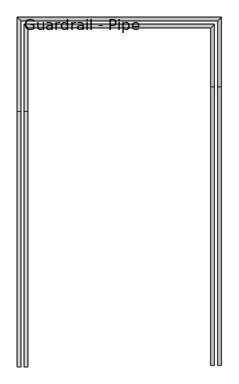
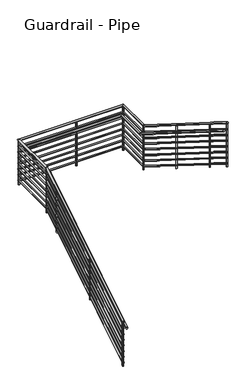
"""IFC4 building model written with IfcOpenShell, lengths in millimetres: railing geometry, Guardrail - Pipe."""

from ifc_helpers import new_model, si_unit, point, frame, frame_2d, origin, place, context, project, spatial, circle_curve, ellipse_curve, trimmed, segment, composite_curve, outline, extrude, source, transform, mapped, element, save
from ifc_brep_helpers import plane_surface, cylinder_surface, advanced_brep


def guardrail_pipe_b85f8df9(model_context):
    return source(origin(), model_context, "Body", "SolidModel", [
        advanced_brep(
        [(114044.01908, 35424.3893546, 1220.737105), (114005.91908, 35424.3893546, 1220.737105), (114044.01908, 38242.7781825, 2978.15), (114005.91908, 38242.7781825, 2978.15), (114044.01908, 39243.6754512, 2978.15), (114005.91908, 39281.7754512, 2978.15), (116220.5892193, 39243.6754512, 2978.15), (116258.6892193, 39281.7754512, 2978.15), (116220.5892193, 38511.8489944, 2978.15), (116258.6892193, 38511.8489944, 2978.15), (116220.5892193, 35437.3254512, 4905.117613), (116258.6892193, 35437.3254512, 4905.117613)],
        [
            (0, 1, ellipse_curve(frame((114024.96908, 35424.3893546, 1220.737105), z_axis=(0.0, -1.0, 0.0), x_axis=(0.0, 0.0, -1.0)), 22.4500633, 19.05)),
            (1, 0, ellipse_curve(frame((114024.96908, 35424.3893546, 1220.737105), z_axis=(0.0, -1.0, 0.0), x_axis=(0.0, 0.0, -1.0)), 22.4500633, 19.05)),
            (0, 2),
            (2, 3, ellipse_curve(frame((114024.96908, 38242.7781825, 2978.15), z_axis=(0.0, -0.9613922057008533, -0.2751818068434903), x_axis=(0.0, 0.27518180684348953, -0.9613922057008535)), 19.815014, 19.05)),
            (3, 1),
            (3, 2, ellipse_curve(frame((114024.96908, 38242.7781825, 2978.15), z_axis=(0.0, -0.9613922057008533, -0.2751818068434903), x_axis=(0.0, 0.27518180684348953, -0.9613922057008535)), 19.815014, 19.05)),
            (2, 4),
            (4, 5, ellipse_curve(frame((114024.96908, 39262.7254512, 2978.15), z_axis=(-0.7071067811865475, -0.7071067811865475, 0.0), x_axis=(0.7071067811865474, -0.7071067811865476, 0.0)), 26.9407684, 19.05)),
            (5, 3),
            (5, 4, ellipse_curve(frame((114024.96908, 39262.7254512, 2978.15), z_axis=(-0.7071067811865475, -0.7071067811865475, 0.0), x_axis=(0.7071067811865474, -0.7071067811865476, 0.0)), 26.9407684, 19.05)),
            (4, 6),
            (6, 7, ellipse_curve(frame((116239.6392193, 39262.7254512, 2978.15), z_axis=(-0.7071067811865475, 0.7071067811865475, 0.0), x_axis=(-0.7071067811865476, -0.7071067811865474, 0.0)), 26.9407684, 19.05)),
            (7, 5),
            (7, 6, ellipse_curve(frame((116239.6392193, 39262.7254512, 2978.15), z_axis=(-0.7071067811865475, 0.7071067811865475, 0.0), x_axis=(-0.7071067811865476, -0.7071067811865474, 0.0)), 26.9407684, 19.05)),
            (6, 8),
            (8, 9, ellipse_curve(frame((116239.6392193, 38511.8489944, 2978.15), z_axis=(0.0, 0.9610749074302956, -0.2762879336993365), x_axis=(0.0, 0.276287933699336, 0.9610749074302958)), 19.8215559, 19.05)),
            (9, 7),
            (9, 8, ellipse_curve(frame((116239.6392193, 38511.8489944, 2978.15), z_axis=(0.0, 0.9610749074302956, -0.2762879336993365), x_axis=(0.0, 0.276287933699336, 0.9610749074302958)), 19.8215559, 19.05)),
            (10, 11, ellipse_curve(frame((116239.6392193, 35437.3254512, 4905.117613), z_axis=(0.0, -1.0, 0.0), x_axis=(0.0, 0.0, -1.0)), 22.482387, 19.05)),
            (11, 10, ellipse_curve(frame((116239.6392193, 35437.3254512, 4905.117613), z_axis=(0.0, -1.0, 0.0), x_axis=(0.0, 0.0, -1.0)), 22.482387, 19.05)),
            (8, 10),
            (11, 9),
        ],
        [
            plane_surface(frame((114024.96908, 35424.3893546, 1243.1871683), z_axis=(0.0, -1.0, 0.0), x_axis=(0.0, 0.0, 1.0))),
            cylinder_surface(frame((114024.96908, 35434.4690009, 1227.0222918), z_axis=(0.0, -0.848549946364704, -0.5291152885000188), x_axis=(-1.0, 0.0, 0.0)), 19.05),
            cylinder_surface(frame((114024.96908, 38237.3254512, 2978.15), z_axis=(0.0, -1.0, 0.0), x_axis=(-1.0, 0.0, 0.0)), 19.05),
            cylinder_surface(frame((114024.96908, 39262.7254512, 2978.15), z_axis=(-1.0, 0.0, 0.0), x_axis=(0.0, 1.0, 0.0)), 19.05),
            cylinder_surface(frame((116239.6392193, 39262.7254512, 2978.15), z_axis=(0.0, 1.0, 0.0), x_axis=(1.0, 0.0, 0.0)), 19.05),
            plane_surface(frame((116239.6392193, 35437.3254512, 4927.6), z_axis=(0.0, -1.0, 0.0), x_axis=(0.0, 0.0, -1.0))),
            cylinder_surface(frame((116239.6392193, 38507.2086286, 2981.0583643), z_axis=(0.0, 0.8473299553843021, -0.531066800608395), x_axis=(1.0, 0.0, 0.0)), 19.05),
        ],
        [
            (0, [[1, 2]]),
            (1, [[-1, 3, 4, 5]]),
            (1, [[-2, -5, 6, -3]]),
            (2, [[-4, 7, 8, 9]]),
            (2, [[-6, -9, 10, -7]]),
            (3, [[-8, 11, 12, 13]]),
            (3, [[-10, -13, 14, -11]]),
            (4, [[-12, 15, 16, 17]]),
            (4, [[-14, -17, 18, -15]]),
            (5, [[19, 20]]),
            (6, [[-16, 21, -20, 22]]),
            (6, [[-18, -22, -19, -21]]),
        ],
    ),
        advanced_brep(
        [(114037.66908, 35424.3893546, 1075.8204595), (114012.26908, 35424.3893546, 1075.8204595), (114037.66908, 38240.9606054, 2832.1), (114012.26908, 38240.9606054, 2832.1), (114037.66908, 39250.0254512, 2832.1), (114012.26908, 39275.4254512, 2832.1), (116226.9392193, 39250.0254512, 2832.1), (116252.3392193, 39275.4254512, 2832.1), (116226.9392193, 38513.67448, 2832.1), (116252.3392193, 38513.67448, 2832.1), (116226.9392193, 35437.3254512, 4760.211742), (116252.3392193, 35437.3254512, 4760.211742)],
        [
            (0, 1, ellipse_curve(frame((114024.96908, 35424.3893546, 1075.8204595), z_axis=(0.0, -1.0, 0.0), x_axis=(0.0, 0.0, -1.0)), 14.9667089, 12.7)),
            (1, 0, ellipse_curve(frame((114024.96908, 35424.3893546, 1075.8204595), z_axis=(0.0, -1.0, 0.0), x_axis=(0.0, 0.0, -1.0)), 14.9667089, 12.7)),
            (0, 2),
            (2, 3, ellipse_curve(frame((114024.96908, 38240.9606054, 2832.1), z_axis=(0.0, -0.9613922057008533, -0.2751818068434903), x_axis=(0.0, 0.27518180684348953, -0.9613922057008535)), 13.2100093, 12.7)),
            (3, 1),
            (3, 2, ellipse_curve(frame((114024.96908, 38240.9606054, 2832.1), z_axis=(0.0, -0.9613922057008533, -0.2751818068434903), x_axis=(0.0, 0.27518180684348953, -0.9613922057008535)), 13.2100093, 12.7)),
            (2, 4),
            (4, 5, ellipse_curve(frame((114024.96908, 39262.7254512, 2832.1), z_axis=(-0.7071067811865475, -0.7071067811865475, 0.0), x_axis=(0.7071067811865474, -0.7071067811865476, 0.0)), 17.9605122, 12.7)),
            (5, 3),
            (5, 4, ellipse_curve(frame((114024.96908, 39262.7254512, 2832.1), z_axis=(-0.7071067811865475, -0.7071067811865475, 0.0), x_axis=(0.7071067811865474, -0.7071067811865476, 0.0)), 17.9605122, 12.7)),
            (4, 6),
            (6, 7, ellipse_curve(frame((116239.6392193, 39262.7254512, 2832.1), z_axis=(-0.7071067811865475, 0.7071067811865475, 0.0), x_axis=(-0.7071067811865476, -0.7071067811865474, 0.0)), 17.9605122, 12.7)),
            (7, 5),
            (7, 6, ellipse_curve(frame((116239.6392193, 39262.7254512, 2832.1), z_axis=(-0.7071067811865475, 0.7071067811865475, 0.0), x_axis=(-0.7071067811865476, -0.7071067811865474, 0.0)), 17.9605122, 12.7)),
            (6, 8),
            (8, 9, ellipse_curve(frame((116239.6392193, 38513.67448, 2832.1), z_axis=(0.0, 0.9610749074302956, -0.2762879336993365), x_axis=(0.0, 0.276287933699336, 0.9610749074302958)), 13.2143706, 12.7)),
            (9, 7),
            (9, 8, ellipse_curve(frame((116239.6392193, 38513.67448, 2832.1), z_axis=(0.0, 0.9610749074302956, -0.2762879336993365), x_axis=(0.0, 0.276287933699336, 0.9610749074302958)), 13.2143706, 12.7)),
            (10, 11, ellipse_curve(frame((116239.6392193, 35437.3254512, 4760.211742), z_axis=(0.0, -1.0, 0.0), x_axis=(0.0, 0.0, -1.0)), 14.988258, 12.7)),
            (11, 10, ellipse_curve(frame((116239.6392193, 35437.3254512, 4760.211742), z_axis=(0.0, -1.0, 0.0), x_axis=(0.0, 0.0, -1.0)), 14.988258, 12.7)),
            (8, 10),
            (11, 9),
        ],
        [
            plane_surface(frame((114024.96908, 35424.3893546, 1090.7871683), z_axis=(0.0, -1.0, 0.0), x_axis=(0.0, 0.0, 1.0))),
            cylinder_surface(frame((114024.96908, 35431.1091188, 1080.010584), z_axis=(0.0, -0.848549946364704, -0.5291152885000188), x_axis=(-1.0, 0.0, 0.0)), 12.7),
            cylinder_surface(frame((114024.96908, 38237.3254512, 2832.1), z_axis=(0.0, -1.0, 0.0), x_axis=(-1.0, 0.0, 0.0)), 12.7),
            cylinder_surface(frame((114024.96908, 39262.7254512, 2832.1), z_axis=(-1.0, 0.0, 0.0), x_axis=(0.0, 1.0, 0.0)), 12.7),
            cylinder_surface(frame((116239.6392193, 39262.7254512, 2832.1), z_axis=(0.0, 1.0, 0.0), x_axis=(1.0, 0.0, 0.0)), 12.7),
            plane_surface(frame((116239.6392193, 35437.3254512, 4775.2), z_axis=(0.0, -1.0, 0.0), x_axis=(0.0, 0.0, -1.0))),
            cylinder_surface(frame((116239.6392193, 38510.5809028, 2834.0389096), z_axis=(0.0, 0.847329955384302, -0.531066800608395), x_axis=(1.0, 0.0, 0.0)), 12.7),
        ],
        [
            (0, [[1, 2]]),
            (1, [[-1, 3, 4, 5]]),
            (1, [[-2, -5, 6, -3]]),
            (2, [[-4, 7, 8, 9]]),
            (2, [[-6, -9, 10, -7]]),
            (3, [[-8, 11, 12, 13]]),
            (3, [[-10, -13, 14, -11]]),
            (4, [[-12, 15, 16, 17]]),
            (4, [[-14, -17, 18, -15]]),
            (5, [[19, 20]]),
            (6, [[-16, 21, -20, 22]]),
            (6, [[-18, -22, -19, -21]]),
        ],
    ),
        advanced_brep(
        [(114120.21908, 35424.3893546, 1068.337105), (114082.11908, 35424.3893546, 1068.337105), (114120.21908, 38242.7781825, 2825.75), (114082.11908, 38242.7781825, 2825.75), (114120.21908, 39167.4754512, 2825.75), (114082.11908, 39205.5754512, 2825.75), (116144.3892193, 39167.4754512, 2825.75), (116182.4892193, 39205.5754512, 2825.75), (116144.3892193, 38511.8489944, 2825.75), (116182.4892193, 38511.8489944, 2825.75), (116144.3892193, 35437.3254512, 4752.717613), (116182.4892193, 35437.3254512, 4752.717613)],
        [
            (0, 1, ellipse_curve(frame((114101.16908, 35424.3893546, 1068.337105), z_axis=(0.0, -1.0, 0.0), x_axis=(0.0, 0.0, -1.0)), 22.4500633, 19.05)),
            (1, 0, ellipse_curve(frame((114101.16908, 35424.3893546, 1068.337105), z_axis=(0.0, -1.0, 0.0), x_axis=(0.0, 0.0, -1.0)), 22.4500633, 19.05)),
            (0, 2),
            (2, 3, ellipse_curve(frame((114101.16908, 38242.7781825, 2825.75), z_axis=(0.0, -0.9613922057008533, -0.2751818068434903), x_axis=(0.0, 0.27518180684348953, -0.9613922057008535)), 19.815014, 19.05)),
            (3, 1),
            (3, 2, ellipse_curve(frame((114101.16908, 38242.7781825, 2825.75), z_axis=(0.0, -0.9613922057008533, -0.2751818068434903), x_axis=(0.0, 0.27518180684348953, -0.9613922057008535)), 19.815014, 19.05)),
            (2, 4),
            (4, 5, ellipse_curve(frame((114101.16908, 39186.5254512, 2825.75), z_axis=(-0.7071067811865475, -0.7071067811865475, 0.0), x_axis=(0.7071067811865474, -0.7071067811865476, 0.0)), 26.9407684, 19.05)),
            (5, 3),
            (5, 4, ellipse_curve(frame((114101.16908, 39186.5254512, 2825.75), z_axis=(-0.7071067811865475, -0.7071067811865475, 0.0), x_axis=(0.7071067811865474, -0.7071067811865476, 0.0)), 26.9407684, 19.05)),
            (4, 6),
            (6, 7, ellipse_curve(frame((116163.4392193, 39186.5254512, 2825.75), z_axis=(-0.7071067811865475, 0.7071067811865475, 0.0), x_axis=(-0.7071067811865476, -0.7071067811865474, 0.0)), 26.9407684, 19.05)),
            (7, 5),
            (7, 6, ellipse_curve(frame((116163.4392193, 39186.5254512, 2825.75), z_axis=(-0.7071067811865475, 0.7071067811865475, 0.0), x_axis=(-0.7071067811865476, -0.7071067811865474, 0.0)), 26.9407684, 19.05)),
            (6, 8),
            (8, 9, ellipse_curve(frame((116163.4392193, 38511.8489944, 2825.75), z_axis=(0.0, 0.9610749074302956, -0.2762879336993365), x_axis=(0.0, 0.276287933699336, 0.9610749074302958)), 19.8215559, 19.05)),
            (9, 7),
            (9, 8, ellipse_curve(frame((116163.4392193, 38511.8489944, 2825.75), z_axis=(0.0, 0.9610749074302956, -0.2762879336993365), x_axis=(0.0, 0.276287933699336, 0.9610749074302958)), 19.8215559, 19.05)),
            (10, 11, ellipse_curve(frame((116163.4392193, 35437.3254512, 4752.717613), z_axis=(0.0, -1.0, 0.0), x_axis=(0.0, 0.0, -1.0)), 22.482387, 19.05)),
            (11, 10, ellipse_curve(frame((116163.4392193, 35437.3254512, 4752.717613), z_axis=(0.0, -1.0, 0.0), x_axis=(0.0, 0.0, -1.0)), 22.482387, 19.05)),
            (8, 10),
            (11, 9),
        ],
        [
            plane_surface(frame((114101.16908, 35424.3893546, 1090.7871683), z_axis=(0.0, -1.0, 0.0), x_axis=(0.0, 0.0, 1.0))),
            cylinder_surface(frame((114101.16908, 35434.4690009, 1074.6222918), z_axis=(0.0, -0.848549946364704, -0.5291152885000188), x_axis=(-1.0, 0.0, 0.0)), 19.05),
            cylinder_surface(frame((114101.16908, 38237.3254512, 2825.75), z_axis=(0.0, -1.0, 0.0), x_axis=(-1.0, 0.0, 0.0)), 19.05),
            cylinder_surface(frame((114101.16908, 39186.5254512, 2825.75), z_axis=(-1.0, 0.0, 0.0), x_axis=(0.0, 1.0, 0.0)), 19.05),
            cylinder_surface(frame((116163.4392193, 39186.5254512, 2825.75), z_axis=(0.0, 1.0, 0.0), x_axis=(1.0, 0.0, 0.0)), 19.05),
            plane_surface(frame((116163.4392193, 35437.3254512, 4775.2), z_axis=(0.0, -1.0, 0.0), x_axis=(0.0, 0.0, -1.0))),
            cylinder_surface(frame((116163.4392193, 38507.2086286, 2828.6583643), z_axis=(0.0, 0.847329955384302, -0.531066800608395), x_axis=(1.0, 0.0, 0.0)), 19.05),
        ],
        [
            (0, [[1, 2]]),
            (1, [[-1, 3, 4, 5]]),
            (1, [[-2, -5, 6, -3]]),
            (2, [[-4, 7, 8, 9]]),
            (2, [[-6, -9, 10, -7]]),
            (3, [[-8, 11, 12, 13]]),
            (3, [[-10, -13, 14, -11]]),
            (4, [[-12, 15, 16, 17]]),
            (4, [[-14, -17, 18, -15]]),
            (5, [[19, 20]]),
            (6, [[-16, 21, -20, 22]]),
            (6, [[-18, -22, -19, -21]]),
        ],
    ),
        advanced_brep(
        [(114037.66908, 35424.3893546, 948.8204595), (114012.26908, 35424.3893546, 948.8204595), (114037.66908, 38240.9606054, 2705.1), (114012.26908, 38240.9606054, 2705.1), (114037.66908, 39250.0254512, 2705.1), (114012.26908, 39275.4254512, 2705.1), (116226.9392193, 39250.0254512, 2705.1), (116252.3392193, 39275.4254512, 2705.1), (116226.9392193, 38513.67448, 2705.1), (116252.3392193, 38513.67448, 2705.1), (116226.9392193, 35437.3254512, 4633.211742), (116252.3392193, 35437.3254512, 4633.211742)],
        [
            (0, 1, ellipse_curve(frame((114024.96908, 35424.3893546, 948.8204595), z_axis=(0.0, -1.0, 0.0), x_axis=(0.0, 0.0, -1.0)), 14.9667089, 12.7)),
            (1, 0, ellipse_curve(frame((114024.96908, 35424.3893546, 948.8204595), z_axis=(0.0, -1.0, 0.0), x_axis=(0.0, 0.0, -1.0)), 14.9667089, 12.7)),
            (0, 2),
            (2, 3, ellipse_curve(frame((114024.96908, 38240.9606054, 2705.1), z_axis=(0.0, -0.9613922057008533, -0.2751818068434903), x_axis=(0.0, 0.27518180684348953, -0.9613922057008535)), 13.2100093, 12.7)),
            (3, 1),
            (3, 2, ellipse_curve(frame((114024.96908, 38240.9606054, 2705.1), z_axis=(0.0, -0.9613922057008533, -0.2751818068434903), x_axis=(0.0, 0.27518180684348953, -0.9613922057008535)), 13.2100093, 12.7)),
            (2, 4),
            (4, 5, ellipse_curve(frame((114024.96908, 39262.7254512, 2705.1), z_axis=(-0.7071067811865475, -0.7071067811865475, 0.0), x_axis=(0.7071067811865474, -0.7071067811865476, 0.0)), 17.9605122, 12.7)),
            (5, 3),
            (5, 4, ellipse_curve(frame((114024.96908, 39262.7254512, 2705.1), z_axis=(-0.7071067811865475, -0.7071067811865475, 0.0), x_axis=(0.7071067811865474, -0.7071067811865476, 0.0)), 17.9605122, 12.7)),
            (4, 6),
            (6, 7, ellipse_curve(frame((116239.6392193, 39262.7254512, 2705.1), z_axis=(-0.7071067811865475, 0.7071067811865475, 0.0), x_axis=(-0.7071067811865476, -0.7071067811865474, 0.0)), 17.9605122, 12.7)),
            (7, 5),
            (7, 6, ellipse_curve(frame((116239.6392193, 39262.7254512, 2705.1), z_axis=(-0.7071067811865475, 0.7071067811865475, 0.0), x_axis=(-0.7071067811865476, -0.7071067811865474, 0.0)), 17.9605122, 12.7)),
            (6, 8),
            (8, 9, ellipse_curve(frame((116239.6392193, 38513.67448, 2705.1), z_axis=(0.0, 0.9610749074302954, -0.2762879336993367), x_axis=(0.0, 0.2762879336993366, 0.9610749074302953)), 13.2143706, 12.7)),
            (9, 7),
            (9, 8, ellipse_curve(frame((116239.6392193, 38513.67448, 2705.1), z_axis=(0.0, 0.9610749074302954, -0.2762879336993367), x_axis=(0.0, 0.2762879336993366, 0.9610749074302953)), 13.2143706, 12.7)),
            (10, 11, ellipse_curve(frame((116239.6392193, 35437.3254512, 4633.211742), z_axis=(0.0, -1.0, 0.0), x_axis=(0.0, 0.0, -1.0)), 14.988258, 12.7)),
            (11, 10, ellipse_curve(frame((116239.6392193, 35437.3254512, 4633.211742), z_axis=(0.0, -1.0, 0.0), x_axis=(0.0, 0.0, -1.0)), 14.988258, 12.7)),
            (8, 10),
            (11, 9),
        ],
        [
            plane_surface(frame((114024.96908, 35424.3893546, 963.7871683), z_axis=(0.0, -1.0, 0.0), x_axis=(0.0, 0.0, 1.0))),
            cylinder_surface(frame((114024.96908, 35431.1091188, 953.010584), z_axis=(0.0, -0.848549946364704, -0.5291152885000188), x_axis=(-1.0, 0.0, 0.0)), 12.7),
            cylinder_surface(frame((114024.96908, 38237.3254512, 2705.1), z_axis=(0.0, -1.0, 0.0), x_axis=(-1.0, 0.0, 0.0)), 12.7),
            cylinder_surface(frame((114024.96908, 39262.7254512, 2705.1), z_axis=(-1.0, 0.0, 0.0), x_axis=(0.0, 1.0, 0.0)), 12.7),
            cylinder_surface(frame((116239.6392193, 39262.7254512, 2705.1), z_axis=(0.0, 1.0, 0.0), x_axis=(1.0, 0.0, 0.0)), 12.7),
            plane_surface(frame((116239.6392193, 35437.3254512, 4648.2), z_axis=(0.0, -1.0, 0.0), x_axis=(0.0, 0.0, -1.0))),
            cylinder_surface(frame((116239.6392193, 38510.5809028, 2707.0389096), z_axis=(0.0, 0.8473299553843019, -0.5310668006083952), x_axis=(1.0, 0.0, 0.0)), 12.7),
        ],
        [
            (0, [[1, 2]]),
            (1, [[-1, 3, 4, 5]]),
            (1, [[-2, -5, 6, -3]]),
            (2, [[-4, 7, 8, 9]]),
            (2, [[-6, -9, 10, -7]]),
            (3, [[-8, 11, 12, 13]]),
            (3, [[-10, -13, 14, -11]]),
            (4, [[-12, 15, 16, 17]]),
            (4, [[-14, -17, 18, -15]]),
            (5, [[19, 20]]),
            (6, [[-16, 21, -20, 22]]),
            (6, [[-18, -22, -19, -21]]),
        ],
    ),
        advanced_brep(
        [(114037.66908, 35424.3893546, 821.8204595), (114012.26908, 35424.3893546, 821.8204595), (114037.66908, 38240.9606054, 2578.1), (114012.26908, 38240.9606054, 2578.1), (114037.66908, 39250.0254512, 2578.1), (114012.26908, 39275.4254512, 2578.1), (116226.9392193, 39250.0254512, 2578.1), (116252.3392193, 39275.4254512, 2578.1), (116226.9392193, 38513.67448, 2578.1), (116252.3392193, 38513.67448, 2578.1), (116226.9392193, 35437.3254512, 4506.211742), (116252.3392193, 35437.3254512, 4506.211742)],
        [
            (0, 1, ellipse_curve(frame((114024.96908, 35424.3893546, 821.8204595), z_axis=(0.0, -1.0, 0.0), x_axis=(0.0, 0.0, -1.0)), 14.9667089, 12.7)),
            (1, 0, ellipse_curve(frame((114024.96908, 35424.3893546, 821.8204595), z_axis=(0.0, -1.0, 0.0), x_axis=(0.0, 0.0, -1.0)), 14.9667089, 12.7)),
            (0, 2),
            (2, 3, ellipse_curve(frame((114024.96908, 38240.9606054, 2578.1), z_axis=(0.0, -0.9613922057008533, -0.2751818068434903), x_axis=(0.0, 0.27518180684348953, -0.9613922057008535)), 13.2100093, 12.7)),
            (3, 1),
            (3, 2, ellipse_curve(frame((114024.96908, 38240.9606054, 2578.1), z_axis=(0.0, -0.9613922057008533, -0.2751818068434903), x_axis=(0.0, 0.27518180684348953, -0.9613922057008535)), 13.2100093, 12.7)),
            (2, 4),
            (4, 5, ellipse_curve(frame((114024.96908, 39262.7254512, 2578.1), z_axis=(-0.7071067811865475, -0.7071067811865475, 0.0), x_axis=(0.7071067811865474, -0.7071067811865476, 0.0)), 17.9605122, 12.7)),
            (5, 3),
            (5, 4, ellipse_curve(frame((114024.96908, 39262.7254512, 2578.1), z_axis=(-0.7071067811865475, -0.7071067811865475, 0.0), x_axis=(0.7071067811865474, -0.7071067811865476, 0.0)), 17.9605122, 12.7)),
            (4, 6),
            (6, 7, ellipse_curve(frame((116239.6392193, 39262.7254512, 2578.1), z_axis=(-0.7071067811865475, 0.7071067811865475, 0.0), x_axis=(-0.7071067811865476, -0.7071067811865474, 0.0)), 17.9605122, 12.7)),
            (7, 5),
            (7, 6, ellipse_curve(frame((116239.6392193, 39262.7254512, 2578.1), z_axis=(-0.7071067811865475, 0.7071067811865475, 0.0), x_axis=(-0.7071067811865476, -0.7071067811865474, 0.0)), 17.9605122, 12.7)),
            (6, 8),
            (8, 9, ellipse_curve(frame((116239.6392193, 38513.67448, 2578.1), z_axis=(0.0, 0.9610749074302956, -0.2762879336993365), x_axis=(0.0, 0.276287933699336, 0.9610749074302958)), 13.2143706, 12.7)),
            (9, 7),
            (9, 8, ellipse_curve(frame((116239.6392193, 38513.67448, 2578.1), z_axis=(0.0, 0.9610749074302956, -0.2762879336993365), x_axis=(0.0, 0.276287933699336, 0.9610749074302958)), 13.2143706, 12.7)),
            (10, 11, ellipse_curve(frame((116239.6392193, 35437.3254512, 4506.211742), z_axis=(0.0, -1.0, 0.0), x_axis=(0.0, 0.0, -1.0)), 14.988258, 12.7)),
            (11, 10, ellipse_curve(frame((116239.6392193, 35437.3254512, 4506.211742), z_axis=(0.0, -1.0, 0.0), x_axis=(0.0, 0.0, -1.0)), 14.988258, 12.7)),
            (8, 10),
            (11, 9),
        ],
        [
            plane_surface(frame((114024.96908, 35424.3893546, 836.7871683), z_axis=(0.0, -1.0, 0.0), x_axis=(0.0, 0.0, 1.0))),
            cylinder_surface(frame((114024.96908, 35431.1091188, 826.010584), z_axis=(0.0, -0.848549946364704, -0.5291152885000188), x_axis=(-1.0, 0.0, 0.0)), 12.7),
            cylinder_surface(frame((114024.96908, 38237.3254512, 2578.1), z_axis=(0.0, -1.0, 0.0), x_axis=(-1.0, 0.0, 0.0)), 12.7),
            cylinder_surface(frame((114024.96908, 39262.7254512, 2578.1), z_axis=(-1.0, 0.0, 0.0), x_axis=(0.0, 1.0, 0.0)), 12.7),
            cylinder_surface(frame((116239.6392193, 39262.7254512, 2578.1), z_axis=(0.0, 1.0, 0.0), x_axis=(1.0, 0.0, 0.0)), 12.7),
            plane_surface(frame((116239.6392193, 35437.3254512, 4521.2), z_axis=(0.0, -1.0, 0.0), x_axis=(0.0, 0.0, -1.0))),
            cylinder_surface(frame((116239.6392193, 38510.5809028, 2580.0389096), z_axis=(0.0, 0.847329955384302, -0.531066800608395), x_axis=(1.0, 0.0, 0.0)), 12.7),
        ],
        [
            (0, [[1, 2]]),
            (1, [[-1, 3, 4, 5]]),
            (1, [[-2, -5, 6, -3]]),
            (2, [[-4, 7, 8, 9]]),
            (2, [[-6, -9, 10, -7]]),
            (3, [[-8, 11, 12, 13]]),
            (3, [[-10, -13, 14, -11]]),
            (4, [[-12, 15, 16, 17]]),
            (4, [[-14, -17, 18, -15]]),
            (5, [[19, 20]]),
            (6, [[-16, 21, -20, 22]]),
            (6, [[-18, -22, -19, -21]]),
        ],
    ),
        advanced_brep(
        [(114037.66908, 35424.3893546, 694.8204595), (114012.26908, 35424.3893546, 694.8204595), (114037.66908, 38240.9606054, 2451.1), (114012.26908, 38240.9606054, 2451.1), (114037.66908, 39250.0254512, 2451.1), (114012.26908, 39275.4254512, 2451.1), (116226.9392193, 39250.0254512, 2451.1), (116252.3392193, 39275.4254512, 2451.1), (116226.9392193, 38513.67448, 2451.1), (116252.3392193, 38513.67448, 2451.1), (116226.9392193, 35437.3254512, 4379.211742), (116252.3392193, 35437.3254512, 4379.211742)],
        [
            (0, 1, ellipse_curve(frame((114024.96908, 35424.3893546, 694.8204595), z_axis=(0.0, -1.0, 0.0), x_axis=(0.0, 0.0, -1.0)), 14.9667089, 12.7)),
            (1, 0, ellipse_curve(frame((114024.96908, 35424.3893546, 694.8204595), z_axis=(0.0, -1.0, 0.0), x_axis=(0.0, 0.0, -1.0)), 14.9667089, 12.7)),
            (0, 2),
            (2, 3, ellipse_curve(frame((114024.96908, 38240.9606054, 2451.1), z_axis=(0.0, -0.9613922057008533, -0.2751818068434903), x_axis=(0.0, 0.27518180684348953, -0.9613922057008535)), 13.2100093, 12.7)),
            (3, 1),
            (3, 2, ellipse_curve(frame((114024.96908, 38240.9606054, 2451.1), z_axis=(0.0, -0.9613922057008533, -0.2751818068434903), x_axis=(0.0, 0.27518180684348953, -0.9613922057008535)), 13.2100093, 12.7)),
            (2, 4),
            (4, 5, ellipse_curve(frame((114024.96908, 39262.7254512, 2451.1), z_axis=(-0.7071067811865475, -0.7071067811865475, 0.0), x_axis=(0.7071067811865474, -0.7071067811865476, 0.0)), 17.9605122, 12.7)),
            (5, 3),
            (5, 4, ellipse_curve(frame((114024.96908, 39262.7254512, 2451.1), z_axis=(-0.7071067811865475, -0.7071067811865475, 0.0), x_axis=(0.7071067811865474, -0.7071067811865476, 0.0)), 17.9605122, 12.7)),
            (4, 6),
            (6, 7, ellipse_curve(frame((116239.6392193, 39262.7254512, 2451.1), z_axis=(-0.7071067811865475, 0.7071067811865475, 0.0), x_axis=(-0.7071067811865476, -0.7071067811865474, 0.0)), 17.9605122, 12.7)),
            (7, 5),
            (7, 6, ellipse_curve(frame((116239.6392193, 39262.7254512, 2451.1), z_axis=(-0.7071067811865475, 0.7071067811865475, 0.0), x_axis=(-0.7071067811865476, -0.7071067811865474, 0.0)), 17.9605122, 12.7)),
            (6, 8),
            (8, 9, ellipse_curve(frame((116239.6392193, 38513.67448, 2451.1), z_axis=(0.0, 0.9610749074302956, -0.2762879336993365), x_axis=(0.0, 0.276287933699336, 0.9610749074302958)), 13.2143706, 12.7)),
            (9, 7),
            (9, 8, ellipse_curve(frame((116239.6392193, 38513.67448, 2451.1), z_axis=(0.0, 0.9610749074302956, -0.2762879336993365), x_axis=(0.0, 0.276287933699336, 0.9610749074302958)), 13.2143706, 12.7)),
            (10, 11, ellipse_curve(frame((116239.6392193, 35437.3254512, 4379.211742), z_axis=(0.0, -1.0, 0.0), x_axis=(0.0, 0.0, -1.0)), 14.988258, 12.7)),
            (11, 10, ellipse_curve(frame((116239.6392193, 35437.3254512, 4379.211742), z_axis=(0.0, -1.0, 0.0), x_axis=(0.0, 0.0, -1.0)), 14.988258, 12.7)),
            (8, 10),
            (11, 9),
        ],
        [
            plane_surface(frame((114024.96908, 35424.3893546, 709.7871683), z_axis=(0.0, -1.0, 0.0), x_axis=(0.0, 0.0, 1.0))),
            cylinder_surface(frame((114024.96908, 35431.1091188, 699.010584), z_axis=(0.0, -0.848549946364704, -0.5291152885000188), x_axis=(-1.0, 0.0, 0.0)), 12.7),
            cylinder_surface(frame((114024.96908, 38237.3254512, 2451.1), z_axis=(0.0, -1.0, 0.0), x_axis=(-1.0, 0.0, 0.0)), 12.7),
            cylinder_surface(frame((114024.96908, 39262.7254512, 2451.1), z_axis=(-1.0, 0.0, 0.0), x_axis=(0.0, 1.0, 0.0)), 12.7),
            cylinder_surface(frame((116239.6392193, 39262.7254512, 2451.1), z_axis=(0.0, 1.0, 0.0), x_axis=(1.0, 0.0, 0.0)), 12.7),
            plane_surface(frame((116239.6392193, 35437.3254512, 4394.2), z_axis=(0.0, -1.0, 0.0), x_axis=(0.0, 0.0, -1.0))),
            cylinder_surface(frame((116239.6392193, 38510.5809028, 2453.0389096), z_axis=(0.0, 0.847329955384302, -0.531066800608395), x_axis=(1.0, 0.0, 0.0)), 12.7),
        ],
        [
            (0, [[1, 2]]),
            (1, [[-1, 3, 4, 5]]),
            (1, [[-2, -5, 6, -3]]),
            (2, [[-4, 7, 8, 9]]),
            (2, [[-6, -9, 10, -7]]),
            (3, [[-8, 11, 12, 13]]),
            (3, [[-10, -13, 14, -11]]),
            (4, [[-12, 15, 16, 17]]),
            (4, [[-14, -17, 18, -15]]),
            (5, [[19, 20]]),
            (6, [[-16, 21, -20, 22]]),
            (6, [[-18, -22, -19, -21]]),
        ],
    ),
        advanced_brep(
        [(114037.66908, 35424.3893546, 567.8204595), (114012.26908, 35424.3893546, 567.8204595), (114037.66908, 38240.9606054, 2324.1), (114012.26908, 38240.9606054, 2324.1), (114037.66908, 39250.0254512, 2324.1), (114012.26908, 39275.4254512, 2324.1), (116226.9392193, 39250.0254512, 2324.1), (116252.3392193, 39275.4254512, 2324.1), (116226.9392193, 38513.67448, 2324.1), (116252.3392193, 38513.67448, 2324.1), (116226.9392193, 35437.3254512, 4252.211742), (116252.3392193, 35437.3254512, 4252.211742)],
        [
            (0, 1, ellipse_curve(frame((114024.96908, 35424.3893546, 567.8204595), z_axis=(0.0, -1.0, 0.0), x_axis=(0.0, 0.0, -1.0)), 14.9667089, 12.7)),
            (1, 0, ellipse_curve(frame((114024.96908, 35424.3893546, 567.8204595), z_axis=(0.0, -1.0, 0.0), x_axis=(0.0, 0.0, -1.0)), 14.9667089, 12.7)),
            (0, 2),
            (2, 3, ellipse_curve(frame((114024.96908, 38240.9606054, 2324.1), z_axis=(0.0, -0.9613922057008533, -0.2751818068434903), x_axis=(0.0, 0.27518180684348953, -0.9613922057008535)), 13.2100093, 12.7)),
            (3, 1),
            (3, 2, ellipse_curve(frame((114024.96908, 38240.9606054, 2324.1), z_axis=(0.0, -0.9613922057008533, -0.2751818068434903), x_axis=(0.0, 0.27518180684348953, -0.9613922057008535)), 13.2100093, 12.7)),
            (2, 4),
            (4, 5, ellipse_curve(frame((114024.96908, 39262.7254512, 2324.1), z_axis=(-0.7071067811865475, -0.7071067811865475, 0.0), x_axis=(0.7071067811865474, -0.7071067811865476, 0.0)), 17.9605122, 12.7)),
            (5, 3),
            (5, 4, ellipse_curve(frame((114024.96908, 39262.7254512, 2324.1), z_axis=(-0.7071067811865475, -0.7071067811865475, 0.0), x_axis=(0.7071067811865474, -0.7071067811865476, 0.0)), 17.9605122, 12.7)),
            (4, 6),
            (6, 7, ellipse_curve(frame((116239.6392193, 39262.7254512, 2324.1), z_axis=(-0.7071067811865475, 0.7071067811865475, 0.0), x_axis=(-0.7071067811865476, -0.7071067811865474, 0.0)), 17.9605122, 12.7)),
            (7, 5),
            (7, 6, ellipse_curve(frame((116239.6392193, 39262.7254512, 2324.1), z_axis=(-0.7071067811865475, 0.7071067811865475, 0.0), x_axis=(-0.7071067811865476, -0.7071067811865474, 0.0)), 17.9605122, 12.7)),
            (6, 8),
            (8, 9, ellipse_curve(frame((116239.6392193, 38513.67448, 2324.1), z_axis=(0.0, 0.9610749074302956, -0.2762879336993365), x_axis=(0.0, 0.276287933699336, 0.9610749074302958)), 13.2143706, 12.7)),
            (9, 7),
            (9, 8, ellipse_curve(frame((116239.6392193, 38513.67448, 2324.1), z_axis=(0.0, 0.9610749074302956, -0.2762879336993365), x_axis=(0.0, 0.276287933699336, 0.9610749074302958)), 13.2143706, 12.7)),
            (10, 11, ellipse_curve(frame((116239.6392193, 35437.3254512, 4252.211742), z_axis=(0.0, -1.0, 0.0), x_axis=(0.0, 0.0, -1.0)), 14.988258, 12.7)),
            (11, 10, ellipse_curve(frame((116239.6392193, 35437.3254512, 4252.211742), z_axis=(0.0, -1.0, 0.0), x_axis=(0.0, 0.0, -1.0)), 14.988258, 12.7)),
            (8, 10),
            (11, 9),
        ],
        [
            plane_surface(frame((114024.96908, 35424.3893546, 582.7871683), z_axis=(0.0, -1.0, 0.0), x_axis=(0.0, 0.0, 1.0))),
            cylinder_surface(frame((114024.96908, 35431.1091188, 572.010584), z_axis=(0.0, -0.848549946364704, -0.5291152885000188), x_axis=(-1.0, 0.0, 0.0)), 12.7),
            cylinder_surface(frame((114024.96908, 38237.3254512, 2324.1), z_axis=(0.0, -1.0, 0.0), x_axis=(-1.0, 0.0, 0.0)), 12.7),
            cylinder_surface(frame((114024.96908, 39262.7254512, 2324.1), z_axis=(-1.0, 0.0, 0.0), x_axis=(0.0, 1.0, 0.0)), 12.7),
            cylinder_surface(frame((116239.6392193, 39262.7254512, 2324.1), z_axis=(0.0, 1.0, 0.0), x_axis=(1.0, 0.0, 0.0)), 12.7),
            plane_surface(frame((116239.6392193, 35437.3254512, 4267.2), z_axis=(0.0, -1.0, 0.0), x_axis=(0.0, 0.0, -1.0))),
            cylinder_surface(frame((116239.6392193, 38510.5809028, 2326.0389096), z_axis=(0.0, 0.847329955384302, -0.5310668006083951), x_axis=(1.0, 0.0, 0.0)), 12.7),
        ],
        [
            (0, [[1, 2]]),
            (1, [[-1, 3, 4, 5]]),
            (1, [[-2, -5, 6, -3]]),
            (2, [[-4, 7, 8, 9]]),
            (2, [[-6, -9, 10, -7]]),
            (3, [[-8, 11, 12, 13]]),
            (3, [[-10, -13, 14, -11]]),
            (4, [[-12, 15, 16, 17]]),
            (4, [[-14, -17, 18, -15]]),
            (5, [[19, 20]]),
            (6, [[-16, 21, -20, 22]]),
            (6, [[-18, -22, -19, -21]]),
        ],
    ),
        advanced_brep(
        [(114037.66908, 35424.3893546, 440.8204595), (114012.26908, 35424.3893546, 440.8204595), (114037.66908, 38240.9606054, 2197.1), (114012.26908, 38240.9606054, 2197.1), (114037.66908, 39250.0254512, 2197.1), (114012.26908, 39275.4254512, 2197.1), (116226.9392193, 39250.0254512, 2197.1), (116252.3392193, 39275.4254512, 2197.1), (116226.9392193, 38513.67448, 2197.1), (116252.3392193, 38513.67448, 2197.1), (116226.9392193, 35437.3254512, 4125.211742), (116252.3392193, 35437.3254512, 4125.211742)],
        [
            (0, 1, ellipse_curve(frame((114024.96908, 35424.3893546, 440.8204595), z_axis=(0.0, -1.0, 0.0), x_axis=(0.0, 0.0, -1.0)), 14.9667089, 12.7)),
            (1, 0, ellipse_curve(frame((114024.96908, 35424.3893546, 440.8204595), z_axis=(0.0, -1.0, 0.0), x_axis=(0.0, 0.0, -1.0)), 14.9667089, 12.7)),
            (0, 2),
            (2, 3, ellipse_curve(frame((114024.96908, 38240.9606054, 2197.1), z_axis=(0.0, -0.9613922057008532, -0.2751818068434904), x_axis=(0.0, 0.27518180684348914, -0.9613922057008537)), 13.2100093, 12.7)),
            (3, 1),
            (3, 2, ellipse_curve(frame((114024.96908, 38240.9606054, 2197.1), z_axis=(0.0, -0.9613922057008532, -0.2751818068434904), x_axis=(0.0, 0.27518180684348914, -0.9613922057008537)), 13.2100093, 12.7)),
            (2, 4),
            (4, 5, ellipse_curve(frame((114024.96908, 39262.7254512, 2197.1), z_axis=(-0.7071067811865475, -0.7071067811865475, 0.0), x_axis=(0.7071067811865474, -0.7071067811865476, 0.0)), 17.9605122, 12.7)),
            (5, 3),
            (5, 4, ellipse_curve(frame((114024.96908, 39262.7254512, 2197.1), z_axis=(-0.7071067811865475, -0.7071067811865475, 0.0), x_axis=(0.7071067811865474, -0.7071067811865476, 0.0)), 17.9605122, 12.7)),
            (4, 6),
            (6, 7, ellipse_curve(frame((116239.6392193, 39262.7254512, 2197.1), z_axis=(-0.7071067811865475, 0.7071067811865475, 0.0), x_axis=(-0.7071067811865476, -0.7071067811865474, 0.0)), 17.9605122, 12.7)),
            (7, 5),
            (7, 6, ellipse_curve(frame((116239.6392193, 39262.7254512, 2197.1), z_axis=(-0.7071067811865475, 0.7071067811865475, 0.0), x_axis=(-0.7071067811865476, -0.7071067811865474, 0.0)), 17.9605122, 12.7)),
            (6, 8),
            (8, 9, ellipse_curve(frame((116239.6392193, 38513.67448, 2197.1), z_axis=(0.0, 0.9610749074302956, -0.2762879336993366), x_axis=(0.0, 0.276287933699336, 0.9610749074302956)), 13.2143706, 12.7)),
            (9, 7),
            (9, 8, ellipse_curve(frame((116239.6392193, 38513.67448, 2197.1), z_axis=(0.0, 0.9610749074302956, -0.2762879336993366), x_axis=(0.0, 0.276287933699336, 0.9610749074302956)), 13.2143706, 12.7)),
            (10, 11, ellipse_curve(frame((116239.6392193, 35437.3254512, 4125.211742), z_axis=(0.0, -1.0, 0.0), x_axis=(0.0, 0.0, -1.0)), 14.988258, 12.7)),
            (11, 10, ellipse_curve(frame((116239.6392193, 35437.3254512, 4125.211742), z_axis=(0.0, -1.0, 0.0), x_axis=(0.0, 0.0, -1.0)), 14.988258, 12.7)),
            (8, 10),
            (11, 9),
        ],
        [
            plane_surface(frame((114024.96908, 35424.3893546, 455.7871683), z_axis=(0.0, -1.0, 0.0), x_axis=(0.0, 0.0, 1.0))),
            cylinder_surface(frame((114024.96908, 35431.1091188, 445.010584), z_axis=(0.0, -0.8485499463647039, -0.5291152885000189), x_axis=(-1.0, 0.0, 0.0)), 12.7),
            cylinder_surface(frame((114024.96908, 38237.3254512, 2197.1), z_axis=(0.0, -1.0, 0.0), x_axis=(-1.0, 0.0, 0.0)), 12.7),
            cylinder_surface(frame((114024.96908, 39262.7254512, 2197.1), z_axis=(-1.0, 0.0, 0.0), x_axis=(0.0, 1.0, 0.0)), 12.7),
            cylinder_surface(frame((116239.6392193, 39262.7254512, 2197.1), z_axis=(0.0, 1.0, 0.0), x_axis=(1.0, 0.0, 0.0)), 12.7),
            plane_surface(frame((116239.6392193, 35437.3254512, 4140.2), z_axis=(0.0, -1.0, 0.0), x_axis=(0.0, 0.0, -1.0))),
            cylinder_surface(frame((116239.6392193, 38510.5809028, 2199.0389096), z_axis=(0.0, 0.847329955384302, -0.531066800608395), x_axis=(1.0, 0.0, 0.0)), 12.7),
        ],
        [
            (0, [[1, 2]]),
            (1, [[-1, 3, 4, 5]]),
            (1, [[-2, -5, 6, -3]]),
            (2, [[-4, 7, 8, 9]]),
            (2, [[-6, -9, 10, -7]]),
            (3, [[-8, 11, 12, 13]]),
            (3, [[-10, -13, 14, -11]]),
            (4, [[-12, 15, 16, 17]]),
            (4, [[-14, -17, 18, -15]]),
            (5, [[19, 20]]),
            (6, [[-16, 21, -20, 22]]),
            (6, [[-18, -22, -19, -21]]),
        ],
    ),
        advanced_brep(
        [(114037.66908, 35424.3893546, 313.8204595), (114012.26908, 35424.3893546, 313.8204595), (114037.66908, 38240.9606054, 2070.1), (114012.26908, 38240.9606054, 2070.1), (114037.66908, 39250.0254512, 2070.1), (114012.26908, 39275.4254512, 2070.1), (116226.9392193, 39250.0254512, 2070.1), (116252.3392193, 39275.4254512, 2070.1), (116226.9392193, 38513.67448, 2070.1), (116252.3392193, 38513.67448, 2070.1), (116226.9392193, 35437.3254512, 3998.211742), (116252.3392193, 35437.3254512, 3998.211742)],
        [
            (0, 1, ellipse_curve(frame((114024.96908, 35424.3893546, 313.8204595), z_axis=(0.0, -1.0, 0.0), x_axis=(0.0, 0.0, -1.0)), 14.9667089, 12.7)),
            (1, 0, ellipse_curve(frame((114024.96908, 35424.3893546, 313.8204595), z_axis=(0.0, -1.0, 0.0), x_axis=(0.0, 0.0, -1.0)), 14.9667089, 12.7)),
            (0, 2),
            (2, 3, ellipse_curve(frame((114024.96908, 38240.9606054, 2070.1), z_axis=(0.0, -0.9613922057008533, -0.2751818068434903), x_axis=(0.0, 0.27518180684348953, -0.9613922057008535)), 13.2100093, 12.7)),
            (3, 1),
            (3, 2, ellipse_curve(frame((114024.96908, 38240.9606054, 2070.1), z_axis=(0.0, -0.9613922057008533, -0.2751818068434903), x_axis=(0.0, 0.27518180684348953, -0.9613922057008535)), 13.2100093, 12.7)),
            (2, 4),
            (4, 5, ellipse_curve(frame((114024.96908, 39262.7254512, 2070.1), z_axis=(-0.7071067811865475, -0.7071067811865475, 0.0), x_axis=(0.7071067811865474, -0.7071067811865476, 0.0)), 17.9605122, 12.7)),
            (5, 3),
            (5, 4, ellipse_curve(frame((114024.96908, 39262.7254512, 2070.1), z_axis=(-0.7071067811865475, -0.7071067811865475, 0.0), x_axis=(0.7071067811865474, -0.7071067811865476, 0.0)), 17.9605122, 12.7)),
            (4, 6),
            (6, 7, ellipse_curve(frame((116239.6392193, 39262.7254512, 2070.1), z_axis=(-0.7071067811865475, 0.7071067811865475, 0.0), x_axis=(-0.7071067811865476, -0.7071067811865474, 0.0)), 17.9605122, 12.7)),
            (7, 5),
            (7, 6, ellipse_curve(frame((116239.6392193, 39262.7254512, 2070.1), z_axis=(-0.7071067811865475, 0.7071067811865475, 0.0), x_axis=(-0.7071067811865476, -0.7071067811865474, 0.0)), 17.9605122, 12.7)),
            (6, 8),
            (8, 9, ellipse_curve(frame((116239.6392193, 38513.67448, 2070.1), z_axis=(0.0, 0.9610749074302956, -0.2762879336993365), x_axis=(0.0, 0.276287933699336, 0.9610749074302958)), 13.2143706, 12.7)),
            (9, 7),
            (9, 8, ellipse_curve(frame((116239.6392193, 38513.67448, 2070.1), z_axis=(0.0, 0.9610749074302956, -0.2762879336993365), x_axis=(0.0, 0.276287933699336, 0.9610749074302958)), 13.2143706, 12.7)),
            (10, 11, ellipse_curve(frame((116239.6392193, 35437.3254512, 3998.211742), z_axis=(0.0, -1.0, 0.0), x_axis=(0.0, 0.0, -1.0)), 14.988258, 12.7)),
            (11, 10, ellipse_curve(frame((116239.6392193, 35437.3254512, 3998.211742), z_axis=(0.0, -1.0, 0.0), x_axis=(0.0, 0.0, -1.0)), 14.988258, 12.7)),
            (8, 10),
            (11, 9),
        ],
        [
            plane_surface(frame((114024.96908, 35424.3893546, 328.7871683), z_axis=(0.0, -1.0, 0.0), x_axis=(0.0, 0.0, 1.0))),
            cylinder_surface(frame((114024.96908, 35431.1091188, 318.010584), z_axis=(0.0, -0.848549946364704, -0.5291152885000188), x_axis=(-1.0, 0.0, 0.0)), 12.7),
            cylinder_surface(frame((114024.96908, 38237.3254512, 2070.1), z_axis=(0.0, -1.0, 0.0), x_axis=(-1.0, 0.0, 0.0)), 12.7),
            cylinder_surface(frame((114024.96908, 39262.7254512, 2070.1), z_axis=(-1.0, 0.0, 0.0), x_axis=(0.0, 1.0, 0.0)), 12.7),
            cylinder_surface(frame((116239.6392193, 39262.7254512, 2070.1), z_axis=(0.0, 1.0, 0.0), x_axis=(1.0, 0.0, 0.0)), 12.7),
            plane_surface(frame((116239.6392193, 35437.3254512, 4013.2), z_axis=(0.0, -1.0, 0.0), x_axis=(0.0, 0.0, -1.0))),
            cylinder_surface(frame((116239.6392193, 38510.5809028, 2072.0389096), z_axis=(0.0, 0.847329955384302, -0.531066800608395), x_axis=(1.0, 0.0, 0.0)), 12.7),
        ],
        [
            (0, [[1, 2]]),
            (1, [[-1, 3, 4, 5]]),
            (1, [[-2, -5, 6, -3]]),
            (2, [[-4, 7, 8, 9]]),
            (2, [[-6, -9, 10, -7]]),
            (3, [[-8, 11, 12, 13]]),
            (3, [[-10, -13, 14, -11]]),
            (4, [[-12, 15, 16, 17]]),
            (4, [[-14, -17, 18, -15]]),
            (5, [[19, 20]]),
            (6, [[-16, 21, -20, 22]]),
            (6, [[-18, -22, -19, -21]]),
        ],
    ),
        advanced_brep(
        [(116252.3392193, 36078.9254512, 4480.4925492), (116226.9392193, 36078.9254512, 4480.4925492), (116226.9392193, 36078.9254512, 3521.9611246), (116252.3392193, 36078.9254512, 3521.9611246)],
        [
            (0, 1, ellipse_curve(frame((116239.6392193, 36078.9254512, 4480.4925492), z_axis=(0.0, -0.530987786430648, -0.8473794726458038), x_axis=(0.0, -0.8473794726458039, 0.5309877864306479)), 14.9873822, 12.7)),
            (1, 2),
            (2, 3, ellipse_curve(frame((116239.6392193, 36078.9254512, 3521.9611246), z_axis=(0.0, 0.5309877864306496, 0.8473794726458029), x_axis=(0.0, -0.847379472645803, 0.5309877864306493)), 14.9873822, 12.7)),
            (3, 0),
            (3, 2, ellipse_curve(frame((116239.6392193, 36078.9254512, 3521.9611246), z_axis=(0.0, 0.5309877864306496, 0.8473794726458029), x_axis=(0.0, -0.847379472645803, 0.5309877864306493)), 14.9873822, 12.7)),
            (1, 0, ellipse_curve(frame((116239.6392193, 36078.9254512, 4480.4925492), z_axis=(0.0, -0.530987786430648, -0.8473794726458038), x_axis=(0.0, -0.8473794726458039, 0.5309877864306479)), 14.9873822, 12.7)),
        ],
        [
            cylinder_surface(frame((116239.6392193, 36078.9254512, 3293.3611246), z_axis=(0.0, 0.0, 1.0), x_axis=(-1.0, 0.0, 0.0)), 12.7),
            plane_surface(frame((116214.2392193, 36053.5254512, 4496.4087829), z_axis=(0.0, 0.530987786430648, 0.8473794726458038), x_axis=(1.0, 0.0, 0.0))),
            plane_surface(frame((116214.2392193, 36104.3254512, 3506.0448908), z_axis=(0.0, -0.5309877864306496, -0.8473794726458029), x_axis=(1.0, 0.0, 0.0))),
        ],
        [
            (0, [[1, 2, 3, 4]]),
            (0, [[5, -2, 6, -4]]),
            (1, [[-6, -1]]),
            (2, [[-5, -3]]),
        ],
    ),
        advanced_brep(
        [(116252.3392193, 37298.1254512, 3716.3549907), (116226.9392193, 37298.1254512, 3716.3549907), (116226.9392193, 37298.1254512, 2757.8235661), (116252.3392193, 37298.1254512, 2757.8235661)],
        [
            (0, 1, ellipse_curve(frame((116239.6392193, 37298.1254512, 3716.3549907), z_axis=(0.0, -0.530987786430648, -0.8473794726458038), x_axis=(0.0, -0.8473794726458039, 0.5309877864306479)), 14.9873822, 12.7)),
            (1, 2),
            (2, 3, ellipse_curve(frame((116239.6392193, 37298.1254512, 2757.8235661), z_axis=(0.0, 0.5309877864306496, 0.8473794726458029), x_axis=(0.0, -0.847379472645803, 0.5309877864306493)), 14.9873822, 12.7)),
            (3, 0),
            (3, 2, ellipse_curve(frame((116239.6392193, 37298.1254512, 2757.8235661), z_axis=(0.0, 0.5309877864306496, 0.8473794726458029), x_axis=(0.0, -0.847379472645803, 0.5309877864306493)), 14.9873822, 12.7)),
            (1, 0, ellipse_curve(frame((116239.6392193, 37298.1254512, 3716.3549907), z_axis=(0.0, -0.530987786430648, -0.8473794726458038), x_axis=(0.0, -0.8473794726458039, 0.5309877864306479)), 14.9873822, 12.7)),
        ],
        [
            cylinder_surface(frame((116239.6392193, 37298.1254512, 2529.2235661), z_axis=(0.0, 0.0, 1.0), x_axis=(-1.0, 0.0, 0.0)), 12.7),
            plane_surface(frame((116214.2392193, 37272.7254512, 3732.2712245), z_axis=(0.0, 0.530987786430648, 0.8473794726458038), x_axis=(1.0, 0.0, 0.0))),
            plane_surface(frame((116214.2392193, 37323.5254512, 2741.9073323), z_axis=(0.0, -0.5309877864306496, -0.8473794726458029), x_axis=(1.0, 0.0, 0.0))),
        ],
        [
            (0, [[1, 2, 3, 4]]),
            (0, [[5, -2, 6, -4]]),
            (1, [[-6, -1]]),
            (2, [[-5, -3]]),
        ],
    ),
        extrude(outline(composite_curve([segment(trimmed(circle_curve(frame_2d((115244.16908, 39262.7254512)), 12.7), [point((115244.16908, 39250.0254512))], [point((115244.16908, 39275.4254512))], False, "CARTESIAN"), True, "CONTINUOUS"), segment(trimmed(circle_curve(frame_2d((115244.16908, 39262.7254512)), 12.7), [point((115244.16908, 39275.4254512))], [point((115244.16908, 39250.0254512))], False, "CARTESIAN"), True, "CONTINUOUS")], self_intersect=False)), frame((0.0, 0.0, 1978.9878744), z_axis=(0.0, 0.0, 1.0), x_axis=(1.0, 0.0, 0.0)), (0.0, 0.0, 1.0), 980.1121256),
        advanced_brep(
        [(114012.26908, 37862.7893546, 2718.73906), (114037.66908, 37862.7893546, 2718.73906), (114037.66908, 37862.7893546, 1759.7509686), (114012.26908, 37862.7893546, 1759.7509686)],
        [
            (0, 1, ellipse_curve(frame((114024.96908, 37862.7893546, 2718.73906), z_axis=(0.0, 0.5290363378692745, -0.8485991711131156), x_axis=(0.0, 0.8485991711131156, 0.5290363378692745)), 14.9658407, 12.7)),
            (1, 2),
            (2, 3, ellipse_curve(frame((114024.96908, 37862.7893546, 1759.7509686), z_axis=(0.0, -0.5290363378692751, 0.8485991711131153), x_axis=(0.0, 0.8485991711131153, 0.5290363378692748)), 14.9658407, 12.7)),
            (3, 0),
            (3, 2, ellipse_curve(frame((114024.96908, 37862.7893546, 1759.7509686), z_axis=(0.0, -0.5290363378692751, 0.8485991711131153), x_axis=(0.0, 0.8485991711131153, 0.5290363378692748)), 14.9658407, 12.7)),
            (1, 0, ellipse_curve(frame((114024.96908, 37862.7893546, 2718.73906), z_axis=(0.0, 0.5290363378692745, -0.8485991711131156), x_axis=(0.0, 0.8485991711131156, 0.5290363378692745)), 14.9658407, 12.7)),
        ],
        [
            cylinder_surface(frame((114024.96908, 37862.7893546, 1531.1509686), z_axis=(0.0, 0.0, 1.0), x_axis=(1.0, 0.0, 0.0)), 12.7),
            plane_surface(frame((114050.36908, 37888.1893546, 2734.5740071), z_axis=(0.0, -0.5290363378692745, 0.8485991711131156), x_axis=(-1.0, 0.0, 0.0))),
            plane_surface(frame((114050.36908, 37837.3893546, 1743.9160215), z_axis=(0.0, 0.5290363378692751, -0.8485991711131153), x_axis=(-1.0, 0.0, 0.0))),
        ],
        [
            (0, [[1, 2, 3, 4]]),
            (0, [[5, -2, 6, -4]]),
            (1, [[-6, -1]]),
            (2, [[-5, -3]]),
        ],
    ),
        advanced_brep(
        [(114012.26908, 36643.5893546, 1958.5040703), (114037.66908, 36643.5893546, 1958.5040703), (114037.66908, 36643.5893546, 999.5159789), (114012.26908, 36643.5893546, 999.5159789)],
        [
            (0, 1, ellipse_curve(frame((114024.96908, 36643.5893546, 1958.5040703), z_axis=(0.0, 0.5290363378692745, -0.8485991711131156), x_axis=(0.0, 0.8485991711131156, 0.5290363378692745)), 14.9658407, 12.7)),
            (1, 2),
            (2, 3, ellipse_curve(frame((114024.96908, 36643.5893546, 999.5159789), z_axis=(0.0, -0.5290363378692751, 0.8485991711131153), x_axis=(0.0, 0.8485991711131153, 0.5290363378692748)), 14.9658407, 12.7)),
            (3, 0),
            (3, 2, ellipse_curve(frame((114024.96908, 36643.5893546, 999.5159789), z_axis=(0.0, -0.5290363378692751, 0.8485991711131153), x_axis=(0.0, 0.8485991711131153, 0.5290363378692748)), 14.9658407, 12.7)),
            (1, 0, ellipse_curve(frame((114024.96908, 36643.5893546, 1958.5040703), z_axis=(0.0, 0.5290363378692745, -0.8485991711131156), x_axis=(0.0, 0.8485991711131156, 0.5290363378692745)), 14.9658407, 12.7)),
        ],
        [
            cylinder_surface(frame((114024.96908, 36643.5893546, 770.9159789), z_axis=(0.0, 0.0, 1.0), x_axis=(1.0, 0.0, 0.0)), 12.7),
            plane_surface(frame((114050.36908, 36668.9893546, 1974.3390174), z_axis=(0.0, -0.5290363378692745, 0.8485991711131156), x_axis=(-1.0, 0.0, 0.0))),
            plane_surface(frame((114050.36908, 36618.1893546, 983.6810318), z_axis=(0.0, 0.5290363378692751, -0.8485991711131153), x_axis=(-1.0, 0.0, 0.0))),
        ],
        [
            (0, [[1, 2, 3, 4]]),
            (0, [[5, -2, 6, -4]]),
            (1, [[-6, -1]]),
            (2, [[-5, -3]]),
        ],
    ),
        advanced_brep(
        [(116252.3392193, 38517.3254512, 2959.0795788), (116226.9392193, 38517.3254512, 2959.0795788), (116226.9392193, 38517.3254512, 1993.6860077), (116252.3392193, 38517.3254512, 1993.6860077)],
        [
            (0, 1, circle_curve(frame((116239.6392193, 38517.3254512, 2959.0795788), z_axis=(0.0, 0.0, -1.0), x_axis=(-1.0, 0.0, 0.0)), 12.7)),
            (1, 2),
            (2, 3, ellipse_curve(frame((116239.6392193, 38517.3254512, 1993.6860077), z_axis=(0.0, 0.5309877864306494, 0.8473794726458029), x_axis=(0.0, -0.8473794726458029, 0.5309877864306494)), 14.9873822, 12.7)),
            (3, 0),
            (3, 2, ellipse_curve(frame((116239.6392193, 38517.3254512, 1993.6860077), z_axis=(0.0, 0.5309877864306494, 0.8473794726458029), x_axis=(0.0, -0.8473794726458029, 0.5309877864306494)), 14.9873822, 12.7)),
            (1, 0, circle_curve(frame((116239.6392193, 38517.3254512, 2959.0795788), z_axis=(0.0, 0.0, -1.0), x_axis=(-1.0, 0.0, 0.0)), 12.7)),
        ],
        [
            cylinder_surface(frame((116239.6392193, 38517.3254512, 1765.0860077), z_axis=(0.0, 0.0, 1.0), x_axis=(-1.0, 0.0, 0.0)), 12.7),
            plane_surface(frame((116214.2392193, 38491.9254512, 2959.0795788), z_axis=(0.0, 0.0, 1.0), x_axis=(1.0, 0.0, 0.0))),
            plane_surface(frame((116214.2392193, 38542.7254512, 1977.7697739), z_axis=(0.0, -0.5309877864306494, -0.8473794726458029), x_axis=(1.0, 0.0, 0.0))),
        ],
        [
            (0, [[1, 2, 3, 4]]),
            (0, [[5, -2, 6, -4]]),
            (1, [[-6, -1]]),
            (2, [[-5, -3]]),
        ],
    ),
        extrude(outline(composite_curve([segment(trimmed(circle_curve(frame_2d((116239.6392193, 39262.7254512)), 12.7), [point((116239.6392193, 39250.0254512))], [point((116239.6392193, 39275.4254512))], False, "CARTESIAN"), True, "CONTINUOUS"), segment(trimmed(circle_curve(frame_2d((116239.6392193, 39262.7254512)), 12.7), [point((116239.6392193, 39275.4254512))], [point((116239.6392193, 39250.0254512))], False, "CARTESIAN"), True, "CONTINUOUS")], self_intersect=False)), frame((0.0, 0.0, 1978.9878744), z_axis=(0.0, 0.0, 1.0), x_axis=(1.0, 0.0, 0.0)), (0.0, 0.0, 1.0), 980.1121256),
        extrude(outline(composite_curve([segment(trimmed(circle_curve(frame_2d((114024.96908, 39262.7254512)), 12.7), [point((114037.66908, 39262.7254512))], [point((114012.26908, 39262.7254512))], False, "CARTESIAN"), True, "CONTINUOUS"), segment(trimmed(circle_curve(frame_2d((114024.96908, 39262.7254512)), 12.7), [point((114012.26908, 39262.7254512))], [point((114037.66908, 39262.7254512))], False, "CARTESIAN"), True, "CONTINUOUS")], self_intersect=False)), frame((0.0, 0.0, 1978.9878744), z_axis=(0.0, 0.0, 1.0), x_axis=(1.0, 0.0, 0.0)), (0.0, 0.0, 1.0), 980.1121256),
        advanced_brep(
        [(114012.26908, 38237.3254512, 2952.3024779), (114037.66908, 38237.3254512, 2952.3024779), (114037.66908, 38237.3254512, 1978.9878744), (114012.26908, 38237.3254512, 1978.9878744)],
        [
            (0, 1, ellipse_curve(frame((114024.96908, 38237.3254512, 2952.3024779), z_axis=(0.0, 0.5290363378692713, -0.8485991711131177), x_axis=(0.0, 0.8485991711131177, 0.5290363378692711)), 14.9658407, 12.7)),
            (1, 2),
            (2, 3, circle_curve(frame((114024.96908, 38237.3254512, 1978.9878744), z_axis=(0.0, 0.0, 1.0), x_axis=(1.0, 0.0, 0.0)), 12.7)),
            (3, 0),
            (3, 2, circle_curve(frame((114024.96908, 38237.3254512, 1978.9878744), z_axis=(0.0, 0.0, 1.0), x_axis=(1.0, 0.0, 0.0)), 12.7)),
            (1, 0, ellipse_curve(frame((114024.96908, 38237.3254512, 2952.3024779), z_axis=(0.0, 0.5290363378692713, -0.8485991711131177), x_axis=(0.0, 0.8485991711131177, 0.5290363378692711)), 14.9658407, 12.7)),
        ],
        [
            cylinder_surface(frame((114024.96908, 38237.3254512, 1750.3878744), z_axis=(0.0, 0.0, 1.0), x_axis=(1.0, 0.0, 0.0)), 12.7),
            plane_surface(frame((114050.36908, 38262.7254512, 2968.137425), z_axis=(0.0, -0.5290363378692713, 0.8485991711131177), x_axis=(-1.0, 0.0, 0.0))),
            plane_surface(frame((114050.36908, 38211.9254512, 1978.9878744), z_axis=(0.0, 0.0, -1.0), x_axis=(-1.0, 0.0, 0.0))),
        ],
        [
            (0, [[1, 2, 3, 4]]),
            (0, [[5, -2, 6, -4]]),
            (1, [[-6, -1]]),
            (2, [[-5, -3]]),
        ],
    ),
        advanced_brep(
        [(116252.3392193, 35450.0254512, 4874.6576661), (116226.9392193, 35450.0254512, 4874.6576661), (116226.9392193, 35450.0254512, 3916.1262414), (116252.3392193, 35450.0254512, 3916.1262414)],
        [
            (0, 1, ellipse_curve(frame((116239.6392193, 35450.0254512, 4874.6576661), z_axis=(0.0, -0.530987786430648, -0.8473794726458038), x_axis=(0.0, -0.8473794726458039, 0.5309877864306479)), 14.9873822, 12.7)),
            (1, 2),
            (2, 3, ellipse_curve(frame((116239.6392193, 35450.0254512, 3916.1262414), z_axis=(0.0, 0.5309877864306496, 0.8473794726458029), x_axis=(0.0, -0.847379472645803, 0.5309877864306493)), 14.9873822, 12.7)),
            (3, 0),
            (3, 2, ellipse_curve(frame((116239.6392193, 35450.0254512, 3916.1262414), z_axis=(0.0, 0.5309877864306496, 0.8473794726458029), x_axis=(0.0, -0.847379472645803, 0.5309877864306493)), 14.9873822, 12.7)),
            (1, 0, ellipse_curve(frame((116239.6392193, 35450.0254512, 4874.6576661), z_axis=(0.0, -0.530987786430648, -0.8473794726458038), x_axis=(0.0, -0.8473794726458039, 0.5309877864306479)), 14.9873822, 12.7)),
        ],
        [
            cylinder_surface(frame((116239.6392193, 35450.0254512, 3687.5262414), z_axis=(0.0, 0.0, 1.0), x_axis=(-1.0, 0.0, 0.0)), 12.7),
            plane_surface(frame((116214.2392193, 35424.6254512, 4890.5738998), z_axis=(0.0, 0.530987786430648, 0.8473794726458038), x_axis=(1.0, 0.0, 0.0))),
            plane_surface(frame((116214.2392193, 35475.4254512, 3900.2100077), z_axis=(0.0, -0.5309877864306496, -0.8473794726458029), x_axis=(1.0, 0.0, 0.0))),
        ],
        [
            (0, [[1, 2, 3, 4]]),
            (0, [[5, -2, 6, -4]]),
            (1, [[-6, -1]]),
            (2, [[-5, -3]]),
        ],
    ),
        advanced_brep(
        [(114012.26908, 35437.0893546, 1206.1881951), (114037.66908, 35437.0893546, 1206.1881951), (114037.66908, 35437.0893546, 247.2001036), (114012.26908, 35437.0893546, 247.2001036)],
        [
            (0, 1, ellipse_curve(frame((114024.96908, 35437.0893546, 1206.1881951), z_axis=(0.0, 0.5290363378692745, -0.8485991711131156), x_axis=(0.0, 0.8485991711131156, 0.5290363378692745)), 14.9658407, 12.7)),
            (1, 2),
            (2, 3, ellipse_curve(frame((114024.96908, 35437.0893546, 247.2001036), z_axis=(0.0, -0.5290363378692751, 0.8485991711131153), x_axis=(0.0, 0.8485991711131153, 0.5290363378692748)), 14.9658407, 12.7)),
            (3, 0),
            (3, 2, ellipse_curve(frame((114024.96908, 35437.0893546, 247.2001036), z_axis=(0.0, -0.5290363378692751, 0.8485991711131153), x_axis=(0.0, 0.8485991711131153, 0.5290363378692748)), 14.9658407, 12.7)),
            (1, 0, ellipse_curve(frame((114024.96908, 35437.0893546, 1206.1881951), z_axis=(0.0, 0.5290363378692745, -0.8485991711131156), x_axis=(0.0, 0.8485991711131156, 0.5290363378692745)), 14.9658407, 12.7)),
        ],
        [
            cylinder_surface(frame((114024.96908, 35437.0893546, 18.6001036), z_axis=(0.0, 0.0, 1.0), x_axis=(1.0, 0.0, 0.0)), 12.7),
            plane_surface(frame((114050.36908, 35462.4893546, 1222.0231422), z_axis=(0.0, -0.5290363378692745, 0.8485991711131156), x_axis=(-1.0, 0.0, 0.0))),
            plane_surface(frame((114050.36908, 35411.6893546, 231.3651565), z_axis=(0.0, 0.5290363378692751, -0.8485991711131153), x_axis=(-1.0, 0.0, 0.0))),
        ],
        [
            (0, [[1, 2, 3, 4]]),
            (0, [[5, -2, 6, -4]]),
            (1, [[-6, -1]]),
            (2, [[-5, -3]]),
        ],
    ),
    ])


if __name__ == "__main__":
    model = new_model("IFC4")
    model_context = context("Model", 3, world=origin())
    ifc_project = project(units=[si_unit("LENGTHUNIT", "METRE", prefix="MILLI")], contexts=[model_context])
    site = spatial("IfcSite", under=ifc_project)
    building = spatial("IfcBuilding", under=site)
    placement = place(None, origin())
    guardrail_pipe_shape = guardrail_pipe_b85f8df9(model_context)
    element("IfcRailing", 1, ObjectType="Guardrail - Pipe", at=placement, inside=building, context=model_context, shape_type="MappedRepresentation", body=[
        mapped(guardrail_pipe_shape, transform((0.0, 0.0, 0.0), x_axis=(1.0, 0.0, 0.0), y_axis=(0.0, 1.0, 0.0), z_axis=(0.0, 0.0, 1.0))),
    ])
    save(model, "model.ifc")
